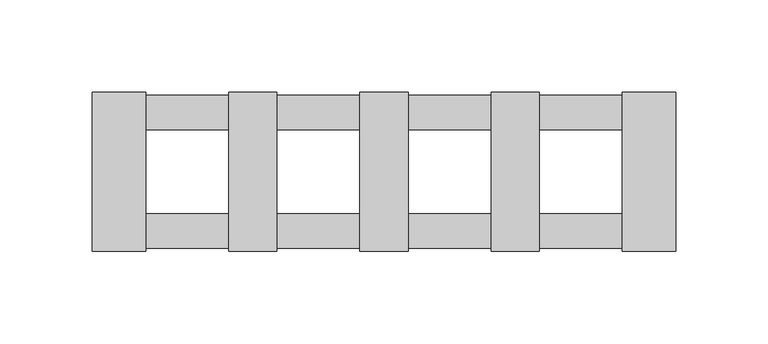
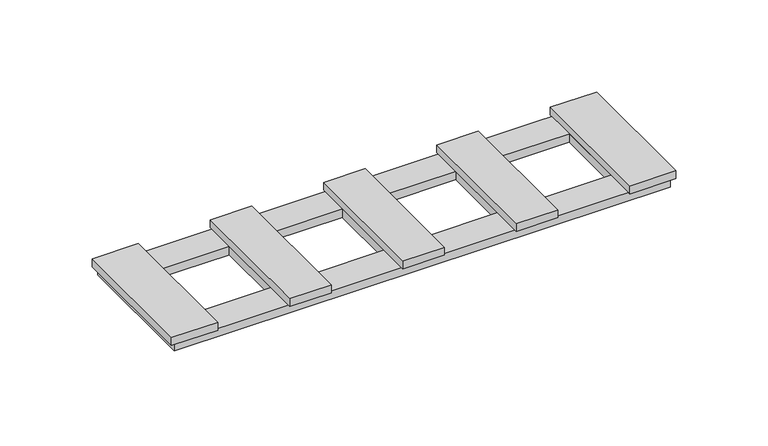
"""IFC4 building model written with IfcOpenShell, lengths in millimetres: proxy geometry."""

from ifc_helpers import new_model, si_unit, frame, origin, origin_with_axes, place, context, project, spatial, polyline, outline, extrude, source, transform, mapped, element, save


def electrical_fixtures_de611ae3(model_context):
    return source(origin(), model_context, "Body", "SweptSolid", [
        extrude(outline(polyline([(-157.9, -43.0), (-157.9, 43.0), (-129.0, 43.0), (-129.0, -43.0), (-157.9, -43.0)])), frame((0.0, 0.0, 5.5), z_axis=(0.0, 0.0, 1.0), x_axis=(1.0, 0.0, 0.0)), (0.0, 0.0, 1.0), 5.2000002),
        extrude(outline(polyline([(-84.0, 43.0), (-58.0, 43.0), (-58.0, -43.0), (-84.0, -43.0), (-84.0, 43.0)])), frame((0.0, 0.0, 5.5), z_axis=(0.0, 0.0, 1.0), x_axis=(1.0, 0.0, 0.0)), (0.0, 0.0, 1.0), 5.2000002),
        extrude(outline(polyline([(-13.0, 43.0), (13.0, 43.0), (13.0, -43.0), (-13.0, -43.0), (-13.0, 43.0)])), frame((0.0, 0.0, 5.5), z_axis=(0.0, 0.0, 1.0), x_axis=(1.0, 0.0, 0.0)), (0.0, 0.0, 1.0), 5.2000002),
        extrude(outline(polyline([(58.0, 43.0), (84.0, 43.0), (84.0, -43.0), (58.0, -43.0), (58.0, 43.0)])), frame((0.0, 0.0, 5.5), z_axis=(0.0, 0.0, 1.0), x_axis=(1.0, 0.0, 0.0)), (0.0, 0.0, 1.0), 5.2000002),
        extrude(outline(polyline([(155.3, 41.5), (155.3, -41.5), (-155.2718172, -41.5), (-155.2718172, 41.5), (155.3, 41.5)]), holes=[polyline([(-84.0, 22.5), (-129.0, 22.5), (-129.0, -22.5), (-84.0, -22.5), (-84.0, 22.5)]), polyline([(-58.0, 22.5), (-58.0, -22.5), (-13.0, -22.5), (-13.0, 22.5), (-58.0, 22.5)]), polyline([(13.0, 22.5), (13.0, -22.5), (58.0, -22.5), (58.0, 22.5), (13.0, 22.5)]), polyline([(84.0, 22.5), (84.0, -22.5), (129.0, -22.5), (129.0, 22.5), (84.0, 22.5)])]), origin_with_axes(), (0.0, 0.0, 1.0), 5.5),
        extrude(outline(polyline([(129.0, -43.0), (129.0, 43.0), (157.9, 43.0), (157.9, -43.0), (129.0, -43.0)])), frame((0.0, 0.0, 5.5), z_axis=(0.0, 0.0, 1.0), x_axis=(1.0, 0.0, 0.0)), (0.0, 0.0, 1.0), 5.2000002),
    ])


if __name__ == "__main__":
    model = new_model("IFC4")
    model_context = context("Model", 3, world=origin())
    ifc_project = project(units=[si_unit("LENGTHUNIT", "METRE", prefix="MILLI")], contexts=[model_context])
    site = spatial("IfcSite", under=ifc_project)
    building = spatial("IfcBuilding", under=site)
    placement = place(None, origin())
    electrical_fixtures_shape = electrical_fixtures_de611ae3(model_context)
    element("IfcBuildingElementProxy", 1, Name="Electrical Fixtures", at=placement, inside=building, context=model_context, shape_type="MappedRepresentation", body=[
        mapped(electrical_fixtures_shape, transform((0.0, 0.0, 0.0), x_axis=(1.0, 0.0, 0.0), y_axis=(0.0, 1.0, 0.0), z_axis=(0.0, 0.0, 1.0))),
    ])
    save(model, "model.ifc")
